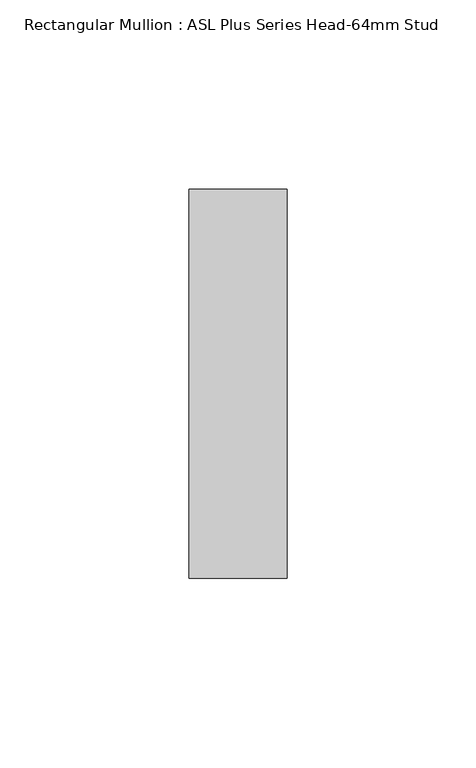
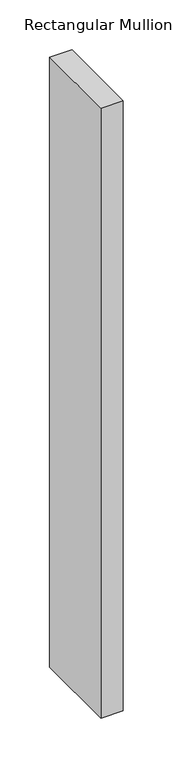
"""IFC4 building model written with IfcOpenShell, lengths in millimetres: member geometry, Rectangular Mullion : ASL Plus Series Head-64mm Stud."""

import ifcopenshell
import ifcopenshell.guid

model = None  # the IFC model being written
_history = None  # IfcOwnerHistory: only IFC2X3 demands one
_inside = {}  # id of a spatial element -> (the spatial element, [elements in it])
_under = {}  # id of a project, library or spatial element -> (it, [spatial elements below it])
_declared = {}  # id of a project -> (the project, [libraries it declares])
_typed = {}  # id of a type object -> (the type object, [elements of that type])
_made_of = {}  # id of a material, layer set ... -> (it, [elements and type objects made of it])


def new_model(schema):
    """Start an empty IFC model of exactly this schema.

    Asked for "IFC4X3", IfcOpenShell would pick the latest addendum, in which some entities
    have other attributes; the version numbers below select the first issue.
    IFC2X3 requires an IfcOwnerHistory on every rooted entity: one is made here for all.
    """
    global model, _history
    if schema == "IFC4X3":
        model = ifcopenshell.file(schema_version=(4, 3, 0, 0))
    else:
        model = ifcopenshell.file(schema=schema)
    _inside.clear()
    _under.clear()
    _declared.clear()
    _typed.clear()
    _made_of.clear()
    _history = None
    if model.schema == "IFC2X3":
        org = make("IfcOrganization", Name="unknown")
        user = make(
            "IfcPersonAndOrganization",
            ThePerson=make("IfcPerson", FamilyName="unknown"),
            TheOrganization=org,
        )
        app = make(
            "IfcApplication",
            ApplicationDeveloper=org,
            Version="unknown",
            ApplicationFullName="unknown",
            ApplicationIdentifier="unknown",
        )
        _history = make(
            "IfcOwnerHistory",
            OwningUser=user,
            OwningApplication=app,
            ChangeAction="ADDED",
            CreationDate=0,
        )
    return model


def make(cls, **values):
    """One entity of the class cls with the attributes given. An attribute that is None is left unset."""
    return model.create_entity(
        cls, **{name: value for name, value in values.items() if value is not None}
    )


def rooted(cls, **values):
    """An entity with a GlobalId (a new one), such as an element, a storey or a relation."""
    return make(cls, GlobalId=ifcopenshell.guid.new(), OwnerHistory=_history, **values)


def si_unit(unit_type, name, prefix=None):
    """IfcSIUnit, for example si_unit("LENGTHUNIT", "METRE", prefix="MILLI")."""
    return make("IfcSIUnit", UnitType=unit_type, Prefix=prefix, Name=name)


def assignment(units):
    """IfcUnitAssignment: the units of a project."""
    return None if units is None else make("IfcUnitAssignment", Units=units)


def point(xyz):
    """IfcCartesianPoint."""
    return None if xyz is None else make("IfcCartesianPoint", Coordinates=xyz)


def direction(xyz):
    """IfcDirection."""
    return None if xyz is None else make("IfcDirection", DirectionRatios=xyz)


def frame(location, z_axis=None, x_axis=None):
    """IfcAxis2Placement3D, a coordinate frame: its origin and axes. An axis left out is left unset."""
    return make(
        "IfcAxis2Placement3D",
        Location=point(location),
        Axis=direction(z_axis),
        RefDirection=direction(x_axis),
    )


def origin():
    """The frame at (0, 0, 0) with its axes left unset."""
    return frame((0.0, 0.0, 0.0))


def place(relative_to, where):
    """IfcLocalPlacement: puts the frame where relative to a parent placement (None: the world)."""
    return make(
        "IfcLocalPlacement", PlacementRelTo=relative_to, RelativePlacement=where
    )


def context(
    kind, dimensions, precision=None, world=None, true_north=None, identifier=None
):
    """IfcGeometricRepresentationContext, for example the 3D "Model" context."""
    return make(
        "IfcGeometricRepresentationContext",
        ContextIdentifier=identifier,
        ContextType=kind,
        CoordinateSpaceDimension=dimensions,
        Precision=precision,
        WorldCoordinateSystem=world,
        TrueNorth=true_north,
    )


def project(units=None, contexts=None):
    """IfcProject with its units and contexts."""
    return rooted(
        "IfcProject",
        Name="project",
        RepresentationContexts=contexts,
        UnitsInContext=assignment(units),
    )


def spatial(cls, under=None, at=None, **own):
    """A site, building, storey or space (cls), placed at a placement, below another one or the project."""
    s = rooted(cls, ObjectPlacement=at, **own)
    if under is not None:
        _under.setdefault(under.id(), (under, []))[1].append(s)
    return s


def polyline(points):
    """IfcPolyline through the points."""
    return make("IfcPolyline", Points=[point(p) for p in points])


def outline(outer, holes=None, kind="AREA"):
    """IfcArbitraryClosedProfileDef: a profile drawn as a closed curve; with holes, ...WithVoids."""
    if holes is None:
        return make("IfcArbitraryClosedProfileDef", ProfileType=kind, OuterCurve=outer)
    return make(
        "IfcArbitraryProfileDefWithVoids",
        ProfileType=kind,
        OuterCurve=outer,
        InnerCurves=holes,
    )


def extrude(swept, where, along, depth):
    """IfcExtrudedAreaSolid: the profile swept, set in the frame where, extruded along a direction by depth."""
    return make(
        "IfcExtrudedAreaSolid",
        SweptArea=swept,
        Position=where,
        ExtrudedDirection=direction(along),
        Depth=depth,
    )


def shape(context_of_items, identifier, shape_type, items):
    """IfcShapeRepresentation: the items that make up one representation, for example the "Body"."""
    return make(
        "IfcShapeRepresentation",
        ContextOfItems=context_of_items,
        RepresentationIdentifier=identifier,
        RepresentationType=shape_type,
        Items=items,
    )


def source(mapping_origin, context_of_items, identifier, shape_type, items):
    """IfcRepresentationMap: a shape defined once, which mapped items show again and again."""
    return make(
        "IfcRepresentationMap",
        MappingOrigin=mapping_origin,
        MappedRepresentation=shape(context_of_items, identifier, shape_type, items),
    )


def transform(
    local_origin,
    x_axis=None,
    y_axis=None,
    z_axis=None,
    scale=None,
    scale2=None,
    scale3=None,
    uniform=True,
):
    """IfcCartesianTransformationOperator3D, or its non-uniform kind. x_axis, y_axis, z_axis: its Axis1, 2, 3."""
    if uniform:
        return make(
            "IfcCartesianTransformationOperator3D",
            Axis1=direction(x_axis),
            Axis2=direction(y_axis),
            LocalOrigin=point(local_origin),
            Scale=scale,
            Axis3=direction(z_axis),
        )
    return make(
        "IfcCartesianTransformationOperator3DnonUniform",
        Axis1=direction(x_axis),
        Axis2=direction(y_axis),
        LocalOrigin=point(local_origin),
        Scale=scale,
        Axis3=direction(z_axis),
        Scale2=scale2,
        Scale3=scale3,
    )


def mapped(mapping_source, mapping_target):
    """IfcMappedItem: shows the shape of a source again, moved by a transform."""
    return make(
        "IfcMappedItem", MappingSource=mapping_source, MappingTarget=mapping_target
    )


def made_of(thing, what):
    """Note that an element or type object is made of a material, layer set ...; save() writes the relation."""
    if what is not None:
        _made_of.setdefault(what.id(), (what, []))[1].append(thing)
    return thing


def element(
    cls,
    number,
    at=None,
    inside=None,
    cuts=None,
    type_object=None,
    material=None,
    context=None,
    identifier="Body",
    shape_type=None,
    held_by="IfcProductDefinitionShape",
    body=None,
    shapes=None,
    **own,
):
    """One element of the class cls, such as IfcWall. Its Tag is "e" and its number.

    at: its placement. inside: the storey or other place that contains it. cuts: it is an
    opening in that element (IfcRelVoidsElement). A single representation is given by context,
    identifier, shape_type and body (its items); several are given by shapes. held_by: the class
    of the entity that holds the representations. save() writes the other relations.
    """
    e = rooted(cls, Tag="e%d" % number, ObjectPlacement=at, **own)
    if body is not None:
        shapes = [shape(context, identifier, shape_type, body)]
    if shapes is not None:
        e.Representation = make(held_by, Representations=shapes)
    if inside is not None:
        _inside.setdefault(inside.id(), (inside, []))[1].append(e)
    if cuts is not None:
        rooted(
            "IfcRelVoidsElement", RelatingBuildingElement=cuts, RelatedOpeningElement=e
        )
    if type_object is not None:
        _typed.setdefault(type_object.id(), (type_object, []))[1].append(e)
    return made_of(e, material)


def aggregate(whole, parts):
    """IfcRelAggregates: a whole, such as a stair, and the parts it consists of."""
    return rooted("IfcRelAggregates", RelatingObject=whole, RelatedObjects=parts)


def save(model, path):
    """Write the relations noted so far, then the file.

    IfcRelAggregates (storeys below a building ...), IfcRelContainedInSpatialStructure (elements
    in a storey), IfcRelDefinesByType, IfcRelAssociatesMaterial and IfcRelDeclares: one each for
    every whole, place, type object, material and project.
    """
    for whole, parts in _under.values():
        aggregate(whole, parts)
    for where, things in _inside.values():
        rooted(
            "IfcRelContainedInSpatialStructure",
            RelatedElements=things,
            RelatingStructure=where,
        )
    for kind, things in _typed.values():
        rooted("IfcRelDefinesByType", RelatedObjects=things, RelatingType=kind)
    for what, things in _made_of.values():
        rooted("IfcRelAssociatesMaterial", RelatedObjects=things, RelatingMaterial=what)
    for by, libraries in _declared.values():
        rooted("IfcRelDeclares", RelatingContext=by, RelatedDefinitions=libraries)
    model.write(path)


def rectangular_mullion_asl_plus_series_head_64mm_stud_1919f17f(model_context):
    return source(origin(), model_context, "Body", "SweptSolid", [
        extrude(outline(polyline([(0.0, 51.5), (0.0, -51.5), (-26.0, -51.5), (-26.0, 51.5), (0.0, 51.5)])), frame((0.0, 0.0, -748.0), z_axis=(0.0, 0.0, 1.0), x_axis=(1.0, 0.0, 0.0)), (0.0, 0.0, 1.0), 748.0),
    ])


if __name__ == "__main__":
    model = new_model("IFC4")
    model_context = context("Model", 3, world=origin())
    ifc_project = project(units=[si_unit("LENGTHUNIT", "METRE", prefix="MILLI")], contexts=[model_context])
    site = spatial("IfcSite", under=ifc_project)
    building = spatial("IfcBuilding", under=site)
    placement = place(None, origin())
    rectangular_mullion_asl_plus_series_head_64mm_stud_shape = rectangular_mullion_asl_plus_series_head_64mm_stud_1919f17f(model_context)
    element("IfcMember", 1, ObjectType="Rectangular Mullion : ASL Plus Series Head-64mm Stud", at=placement, inside=building, context=model_context, shape_type="MappedRepresentation", body=[
        mapped(rectangular_mullion_asl_plus_series_head_64mm_stud_shape, transform((0.0, 0.0, 0.0), x_axis=(1.0, 0.0, 0.0), y_axis=(0.0, 1.0, 0.0), z_axis=(0.0, 0.0, 1.0))),
    ])
    save(model, "model.ifc")
